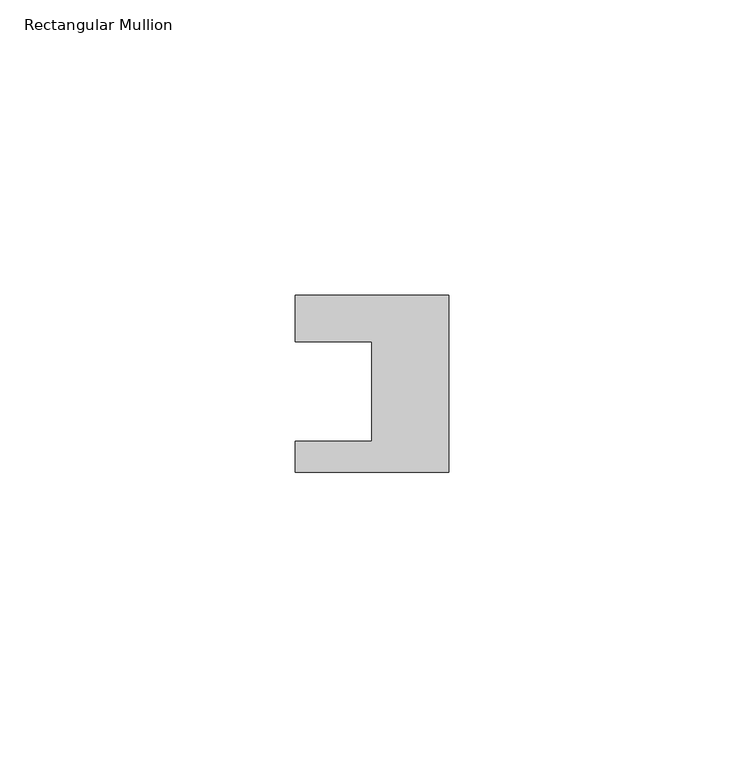
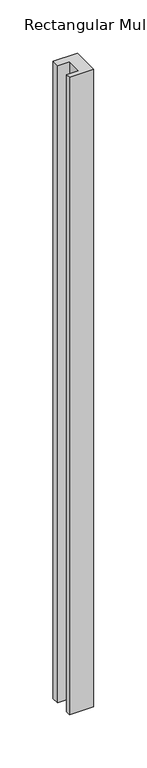
"""IFC4 building model written with IfcOpenShell, lengths in millimetres: member geometry, Rectangular Mullion."""

from ifc_helpers import new_model, si_unit, frame, origin, place, context, project, spatial, polyline, outline, extrude, source, transform, mapped, element, save


def rectangular_mullion_f38662ab(model_context):
    return source(origin(), model_context, "Body", "SweptSolid", [
        extrude(outline(polyline([(-26.0, 0.001), (-26.0, 7.94), (0.0, 7.94), (0.0, -22.06), (-26.0, -22.06), (-26.0, -16.8), (-13.0, -16.8), (-13.0, 0.001), (-26.0, 0.001)])), frame((0.0, 0.0, -727.0), z_axis=(0.0, 0.0, 1.0), x_axis=(1.0, 0.0, 0.0)), (0.0, 0.0, 1.0), 727.0),
    ])


if __name__ == "__main__":
    model = new_model("IFC4")
    model_context = context("Model", 3, world=origin())
    ifc_project = project(units=[si_unit("LENGTHUNIT", "METRE", prefix="MILLI")], contexts=[model_context])
    site = spatial("IfcSite", under=ifc_project)
    building = spatial("IfcBuilding", under=site)
    placement = place(None, origin())
    rectangular_mullion_shape = rectangular_mullion_f38662ab(model_context)
    element("IfcMember", 1, ObjectType="Rectangular Mullion", at=placement, inside=building, context=model_context, shape_type="MappedRepresentation", body=[
        mapped(rectangular_mullion_shape, transform((0.0, 0.0, 0.0), x_axis=(1.0, 0.0, 0.0), y_axis=(0.0, 1.0, 0.0), z_axis=(0.0, 0.0, 1.0))),
    ])
    save(model, "model.ifc")
